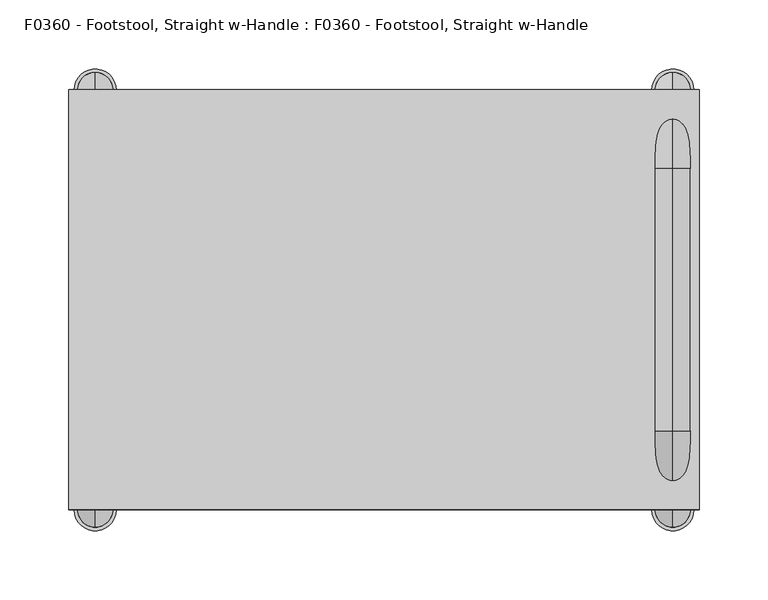
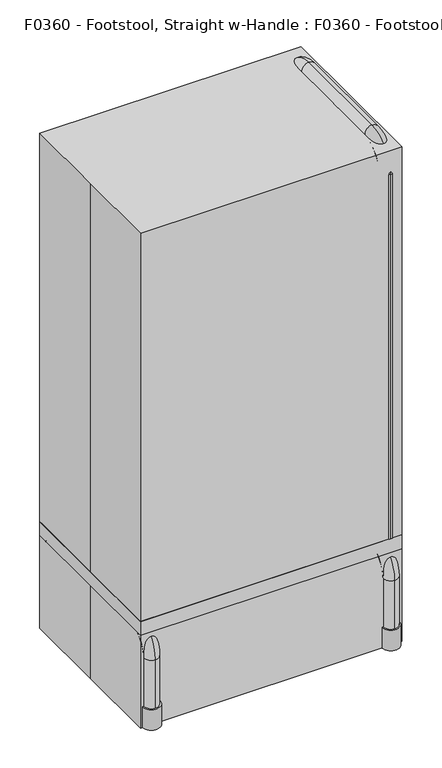
"""IFC4 building model written with IfcOpenShell, lengths in millimetres: proxy geometry, F0360 - Footstool, Straight w-Handle : F0360 - Footstool, Straight w-Handle."""

import ifcopenshell
import ifcopenshell.guid

model = None  # the IFC model being written
_history = None  # IfcOwnerHistory: only IFC2X3 demands one
_inside = {}  # id of a spatial element -> (the spatial element, [elements in it])
_under = {}  # id of a project, library or spatial element -> (it, [spatial elements below it])
_declared = {}  # id of a project -> (the project, [libraries it declares])
_typed = {}  # id of a type object -> (the type object, [elements of that type])
_made_of = {}  # id of a material, layer set ... -> (it, [elements and type objects made of it])


def new_model(schema):
    """Start an empty IFC model of exactly this schema.

    Asked for "IFC4X3", IfcOpenShell would pick the latest addendum, in which some entities
    have other attributes; the version numbers below select the first issue.
    IFC2X3 requires an IfcOwnerHistory on every rooted entity: one is made here for all.
    """
    global model, _history
    if schema == "IFC4X3":
        model = ifcopenshell.file(schema_version=(4, 3, 0, 0))
    else:
        model = ifcopenshell.file(schema=schema)
    _inside.clear()
    _under.clear()
    _declared.clear()
    _typed.clear()
    _made_of.clear()
    _history = None
    if model.schema == "IFC2X3":
        org = make("IfcOrganization", Name="unknown")
        user = make(
            "IfcPersonAndOrganization",
            ThePerson=make("IfcPerson", FamilyName="unknown"),
            TheOrganization=org,
        )
        app = make(
            "IfcApplication",
            ApplicationDeveloper=org,
            Version="unknown",
            ApplicationFullName="unknown",
            ApplicationIdentifier="unknown",
        )
        _history = make(
            "IfcOwnerHistory",
            OwningUser=user,
            OwningApplication=app,
            ChangeAction="ADDED",
            CreationDate=0,
        )
    return model


def make(cls, **values):
    """One entity of the class cls with the attributes given. An attribute that is None is left unset."""
    return model.create_entity(
        cls, **{name: value for name, value in values.items() if value is not None}
    )


def rooted(cls, **values):
    """An entity with a GlobalId (a new one), such as an element, a storey or a relation."""
    return make(cls, GlobalId=ifcopenshell.guid.new(), OwnerHistory=_history, **values)


def si_unit(unit_type, name, prefix=None):
    """IfcSIUnit, for example si_unit("LENGTHUNIT", "METRE", prefix="MILLI")."""
    return make("IfcSIUnit", UnitType=unit_type, Prefix=prefix, Name=name)


def assignment(units):
    """IfcUnitAssignment: the units of a project."""
    return None if units is None else make("IfcUnitAssignment", Units=units)


def point(xyz):
    """IfcCartesianPoint."""
    return None if xyz is None else make("IfcCartesianPoint", Coordinates=xyz)


def direction(xyz):
    """IfcDirection."""
    return None if xyz is None else make("IfcDirection", DirectionRatios=xyz)


def frame(location, z_axis=None, x_axis=None):
    """IfcAxis2Placement3D, a coordinate frame: its origin and axes. An axis left out is left unset."""
    return make(
        "IfcAxis2Placement3D",
        Location=point(location),
        Axis=direction(z_axis),
        RefDirection=direction(x_axis),
    )


def frame_2d(location, x_axis=None):
    """IfcAxis2Placement2D, a coordinate frame in the plane: its origin and x axis."""
    return make(
        "IfcAxis2Placement2D", Location=point(location), RefDirection=direction(x_axis)
    )


def origin():
    """The frame at (0, 0, 0) with its axes left unset."""
    return frame((0.0, 0.0, 0.0))


def origin_with_axes():
    """The frame at (0, 0, 0) with the z axis (0, 0, 1) and the x axis (1, 0, 0) written out."""
    return frame((0.0, 0.0, 0.0), z_axis=(0.0, 0.0, 1.0), x_axis=(1.0, 0.0, 0.0))


def place(relative_to, where):
    """IfcLocalPlacement: puts the frame where relative to a parent placement (None: the world)."""
    return make(
        "IfcLocalPlacement", PlacementRelTo=relative_to, RelativePlacement=where
    )


def context(
    kind, dimensions, precision=None, world=None, true_north=None, identifier=None
):
    """IfcGeometricRepresentationContext, for example the 3D "Model" context."""
    return make(
        "IfcGeometricRepresentationContext",
        ContextIdentifier=identifier,
        ContextType=kind,
        CoordinateSpaceDimension=dimensions,
        Precision=precision,
        WorldCoordinateSystem=world,
        TrueNorth=true_north,
    )


def project(units=None, contexts=None):
    """IfcProject with its units and contexts."""
    return rooted(
        "IfcProject",
        Name="project",
        RepresentationContexts=contexts,
        UnitsInContext=assignment(units),
    )


def spatial(cls, under=None, at=None, **own):
    """A site, building, storey or space (cls), placed at a placement, below another one or the project."""
    s = rooted(cls, ObjectPlacement=at, **own)
    if under is not None:
        _under.setdefault(under.id(), (under, []))[1].append(s)
    return s


def polyline(points):
    """IfcPolyline through the points."""
    return make("IfcPolyline", Points=[point(p) for p in points])


def circle_curve(where, radius):
    """IfcCircle in the frame where."""
    return make("IfcCircle", Position=where, Radius=radius)


def ellipse_curve(where, semi_axis1, semi_axis2):
    """IfcEllipse in the frame where."""
    return make(
        "IfcEllipse", Position=where, SemiAxis1=semi_axis1, SemiAxis2=semi_axis2
    )


def trimmed(basis, trim1, trim2, sense, master):
    """IfcTrimmedCurve: the piece of a basis curve between two trims."""
    return make(
        "IfcTrimmedCurve",
        BasisCurve=basis,
        Trim1=trim1,
        Trim2=trim2,
        SenseAgreement=sense,
        MasterRepresentation=master,
    )


def segment(curve, same_sense, transition):
    """IfcCompositeCurveSegment."""
    return make(
        "IfcCompositeCurveSegment",
        Transition=transition,
        SameSense=same_sense,
        ParentCurve=curve,
    )


def composite_curve(segments, self_intersect=None):
    """IfcCompositeCurve: segments joined end to end."""
    return make("IfcCompositeCurve", Segments=segments, SelfIntersect=self_intersect)


def outline(outer, holes=None, kind="AREA"):
    """IfcArbitraryClosedProfileDef: a profile drawn as a closed curve; with holes, ...WithVoids."""
    if holes is None:
        return make("IfcArbitraryClosedProfileDef", ProfileType=kind, OuterCurve=outer)
    return make(
        "IfcArbitraryProfileDefWithVoids",
        ProfileType=kind,
        OuterCurve=outer,
        InnerCurves=holes,
    )


def extrude(swept, where, along, depth):
    """IfcExtrudedAreaSolid: the profile swept, set in the frame where, extruded along a direction by depth."""
    return make(
        "IfcExtrudedAreaSolid",
        SweptArea=swept,
        Position=where,
        ExtrudedDirection=direction(along),
        Depth=depth,
    )


def shape(context_of_items, identifier, shape_type, items):
    """IfcShapeRepresentation: the items that make up one representation, for example the "Body"."""
    return make(
        "IfcShapeRepresentation",
        ContextOfItems=context_of_items,
        RepresentationIdentifier=identifier,
        RepresentationType=shape_type,
        Items=items,
    )


def source(mapping_origin, context_of_items, identifier, shape_type, items):
    """IfcRepresentationMap: a shape defined once, which mapped items show again and again."""
    return make(
        "IfcRepresentationMap",
        MappingOrigin=mapping_origin,
        MappedRepresentation=shape(context_of_items, identifier, shape_type, items),
    )


def transform(
    local_origin,
    x_axis=None,
    y_axis=None,
    z_axis=None,
    scale=None,
    scale2=None,
    scale3=None,
    uniform=True,
):
    """IfcCartesianTransformationOperator3D, or its non-uniform kind. x_axis, y_axis, z_axis: its Axis1, 2, 3."""
    if uniform:
        return make(
            "IfcCartesianTransformationOperator3D",
            Axis1=direction(x_axis),
            Axis2=direction(y_axis),
            LocalOrigin=point(local_origin),
            Scale=scale,
            Axis3=direction(z_axis),
        )
    return make(
        "IfcCartesianTransformationOperator3DnonUniform",
        Axis1=direction(x_axis),
        Axis2=direction(y_axis),
        LocalOrigin=point(local_origin),
        Scale=scale,
        Axis3=direction(z_axis),
        Scale2=scale2,
        Scale3=scale3,
    )


def mapped(mapping_source, mapping_target):
    """IfcMappedItem: shows the shape of a source again, moved by a transform."""
    return make(
        "IfcMappedItem", MappingSource=mapping_source, MappingTarget=mapping_target
    )


def made_of(thing, what):
    """Note that an element or type object is made of a material, layer set ...; save() writes the relation."""
    if what is not None:
        _made_of.setdefault(what.id(), (what, []))[1].append(thing)
    return thing


def element(
    cls,
    number,
    at=None,
    inside=None,
    cuts=None,
    type_object=None,
    material=None,
    context=None,
    identifier="Body",
    shape_type=None,
    held_by="IfcProductDefinitionShape",
    body=None,
    shapes=None,
    **own,
):
    """One element of the class cls, such as IfcWall. Its Tag is "e" and its number.

    at: its placement. inside: the storey or other place that contains it. cuts: it is an
    opening in that element (IfcRelVoidsElement). A single representation is given by context,
    identifier, shape_type and body (its items); several are given by shapes. held_by: the class
    of the entity that holds the representations. save() writes the other relations.
    """
    e = rooted(cls, Tag="e%d" % number, ObjectPlacement=at, **own)
    if body is not None:
        shapes = [shape(context, identifier, shape_type, body)]
    if shapes is not None:
        e.Representation = make(held_by, Representations=shapes)
    if inside is not None:
        _inside.setdefault(inside.id(), (inside, []))[1].append(e)
    if cuts is not None:
        rooted(
            "IfcRelVoidsElement", RelatingBuildingElement=cuts, RelatedOpeningElement=e
        )
    if type_object is not None:
        _typed.setdefault(type_object.id(), (type_object, []))[1].append(e)
    return made_of(e, material)


def aggregate(whole, parts):
    """IfcRelAggregates: a whole, such as a stair, and the parts it consists of."""
    return rooted("IfcRelAggregates", RelatingObject=whole, RelatedObjects=parts)


def save(model, path):
    """Write the relations noted so far, then the file.

    IfcRelAggregates (storeys below a building ...), IfcRelContainedInSpatialStructure (elements
    in a storey), IfcRelDefinesByType, IfcRelAssociatesMaterial and IfcRelDeclares: one each for
    every whole, place, type object, material and project.
    """
    for whole, parts in _under.values():
        aggregate(whole, parts)
    for where, things in _inside.values():
        rooted(
            "IfcRelContainedInSpatialStructure",
            RelatedElements=things,
            RelatingStructure=where,
        )
    for kind, things in _typed.values():
        rooted("IfcRelDefinesByType", RelatedObjects=things, RelatingType=kind)
    for what, things in _made_of.values():
        rooted("IfcRelAssociatesMaterial", RelatedObjects=things, RelatingMaterial=what)
    for by, libraries in _declared.values():
        rooted("IfcRelDeclares", RelatingContext=by, RelatedDefinitions=libraries)
    model.write(path)


def plane_surface(at):
    """IfcPlane: the flat surface through the origin of the frame at, square to its z axis."""
    return make("IfcPlane", Position=at)


def cylinder_surface(at, radius):
    """IfcCylindricalSurface: all points at the distance radius from the z axis of the frame at."""
    return make("IfcCylindricalSurface", Position=at, Radius=radius)


def revolved_surface(curve, axis_point, axis_direction):
    """IfcSurfaceOfRevolution: the curve turned about the line through axis_point along axis_direction."""
    return make(
        "IfcSurfaceOfRevolution",
        SweptCurve=make("IfcArbitraryOpenProfileDef", ProfileType="CURVE", Curve=curve),
        AxisPosition=make("IfcAxis1Placement", Location=point(axis_point), Axis=direction(axis_direction)),
    )


def advanced_brep(points, edges, surfaces, faces):
    """IfcAdvancedBrep: a solid bounded by faces that lie on surfaces and meet in shared edges.

    An edge is (start, end): straight between two places in points (the first is 0);
    or (start, end, curve); or (start, end, curve, False) where it runs against its curve.
    A face is (place in surfaces, loops), or (place, loops, False) where it looks against
    its surface's normal. A loop lists edges by number (the first is 1), with a minus sign
    where the edge is run from its end to its start. The first loop is the outer one.
    """
    corners = [point(p) for p in points]
    vertices = [make("IfcVertexPoint", VertexGeometry=c) for c in corners]
    made = []
    for start, end, *more in edges:
        made.append(
            make(
                "IfcEdgeCurve",
                EdgeStart=vertices[start],
                EdgeEnd=vertices[end],
                EdgeGeometry=more[0] if more else make("IfcPolyline", Points=[corners[start], corners[end]]),
                SameSense=more[1] if len(more) > 1 else True,
            )
        )
    hull = []
    for where, loops, *sense in faces:
        bounds = []
        for j, loop in enumerate(loops):
            ring = [make("IfcOrientedEdge", EdgeElement=made[abs(k) - 1], Orientation=k > 0) for k in loop]
            bounds.append(
                make(
                    "IfcFaceOuterBound" if j == 0 else "IfcFaceBound",
                    Bound=make("IfcEdgeLoop", EdgeList=ring),
                    Orientation=True,
                )
            )
        hull.append(make("IfcAdvancedFace", Bounds=bounds, FaceSurface=surfaces[where], SameSense=sense[0] if sense else True))
    return make("IfcAdvancedBrep", Outer=make("IfcClosedShell", CfsFaces=hull))


def f0360_footstool_straight_w_handle_f0360_footstool_straight_w_84347395(model_context):
    return source(origin(), model_context, "Body", "SolidModel", [
        advanced_brep(
        [(209.4223478, -127.1694395, 196.85), (209.4223478, -152.5694395, 196.85), (209.4223478, -127.1694395, 869.95), (209.4223478, -152.5694395, 869.95), (209.4223478, -95.4194395, 927.1), (209.4223478, -95.4194395, 901.7), (209.4223478, 95.0805605, 901.7), (209.4223478, 95.0805605, 927.1), (209.4223478, 126.8305605, 196.85), (209.4223478, 152.2305605, 196.85), (209.4223478, 152.2305605, 869.95), (209.4223478, 126.8305605, 869.95)],
        [
            (0, 1, circle_curve(frame((209.4223478, -139.8694395, 196.85), z_axis=(0.0, 0.0, -1.0), x_axis=(0.0, -1.0, 0.0)), 12.7)),
            (1, 0, circle_curve(frame((209.4223478, -139.8694395, 196.85), z_axis=(0.0, 0.0, -1.0), x_axis=(0.0, -1.0, 0.0)), 12.7)),
            (0, 2),
            (2, 3, circle_curve(frame((209.4223478, -139.8694395, 869.95), z_axis=(0.0, 0.0, -1.0), x_axis=(0.0, -1.0, 0.0)), 12.7)),
            (3, 1),
            (3, 2, circle_curve(frame((209.4223478, -139.8694395, 869.95), z_axis=(0.0, 0.0, -1.0), x_axis=(0.0, -1.0, 0.0)), 12.7)),
            (4, 5, circle_curve(frame((209.4223478, -95.4194395, 914.4), z_axis=(0.0, 1.0, 0.0), x_axis=(0.0, 0.0, 1.0)), 12.7)),
            (5, 6),
            (6, 7, circle_curve(frame((209.4223478, 95.0805605, 914.4), z_axis=(0.0, -1.0, 0.0), x_axis=(0.0, 0.0, 1.0)), 12.7)),
            (7, 4),
            (5, 4, circle_curve(frame((209.4223478, -95.4194395, 914.4), z_axis=(0.0, 1.0, 0.0), x_axis=(0.0, 0.0, 1.0)), 12.7)),
            (7, 6, circle_curve(frame((209.4223478, 95.0805605, 914.4), z_axis=(0.0, -1.0, 0.0), x_axis=(0.0, 0.0, 1.0)), 12.7)),
            (8, 9, circle_curve(frame((209.4223478, 139.5305605, 196.85), z_axis=(0.0, 0.0, -1.0), x_axis=(0.0, 1.0, 0.0)), 12.7)),
            (9, 8, circle_curve(frame((209.4223478, 139.5305605, 196.85), z_axis=(0.0, 0.0, -1.0), x_axis=(0.0, 1.0, 0.0)), 12.7)),
            (10, 11, circle_curve(frame((209.4223478, 139.5305605, 869.95), z_axis=(0.0, 0.0, -1.0), x_axis=(0.0, 1.0, 0.0)), 12.7)),
            (11, 8),
            (9, 10),
            (11, 10, circle_curve(frame((209.4223478, 139.5305605, 869.95), z_axis=(0.0, 0.0, -1.0), x_axis=(0.0, 1.0, 0.0)), 12.7)),
            (4, 3, circle_curve(frame((209.4223478, -95.4194395, 869.95), z_axis=(1.0, 0.0, 0.0), x_axis=(0.0, -1.0, 0.0)), 57.15)),
            (2, 5, circle_curve(frame((209.4223478, -95.4194395, 869.95), z_axis=(-1.0, 0.0, 0.0), x_axis=(0.0, -1.0, 0.0)), 31.75)),
            (10, 7, circle_curve(frame((209.4223478, 95.0805605, 869.95), z_axis=(1.0, 0.0, 0.0), x_axis=(0.0, 0.0, 1.0)), 57.15)),
            (6, 11, circle_curve(frame((209.4223478, 95.0805605, 869.95), z_axis=(-1.0, 0.0, 0.0), x_axis=(0.0, 0.0, 1.0)), 31.75)),
        ],
        [
            plane_surface(frame((209.4223478, -139.8694395, 196.85), z_axis=(0.0, 0.0, -1.0), x_axis=(1.0, 0.0, 0.0))),
            cylinder_surface(frame((209.4223478, -139.8694395, 196.85), z_axis=(0.0, 0.0, -1.0), x_axis=(0.0, -1.0, 0.0)), 12.7),
            cylinder_surface(frame((209.4223478, -95.4194395, 914.4), z_axis=(0.0, -1.0, 0.0), x_axis=(0.0, 0.0, 1.0)), 12.7),
            plane_surface(frame((209.4223478, 139.5305605, 196.85), z_axis=(0.0, 0.0, -1.0), x_axis=(1.0, 0.0, 0.0))),
            cylinder_surface(frame((209.4223478, 139.5305605, 869.95), z_axis=(0.0, 0.0, 1.0), x_axis=(0.0, 1.0, 0.0)), 12.7),
            revolved_surface(trimmed(ellipse_curve(frame((209.4223478, -139.8694395, 869.95), z_axis=(0.0, 0.0, -1.0), x_axis=(0.0, -1.0, 0.0)), 12.7, 12.7), [point((209.4223478, -127.1694395, 869.95))], [point((209.4223478, -152.5694395, 869.95))], True, "CARTESIAN"), (209.4223478, -95.4194395, 869.95), (-1.0, 0.0, 0.0)),
            revolved_surface(trimmed(ellipse_curve(frame((209.4223478, -139.8694395, 869.95), z_axis=(0.0, 0.0, -1.0), x_axis=(0.0, -1.0, 0.0)), 12.7, 12.7), [point((209.4223478, -152.5694395, 869.95))], [point((209.4223478, -127.1694395, 869.95))], True, "CARTESIAN"), (209.4223478, -95.4194395, 869.95), (-1.0, 0.0, 0.0)),
            revolved_surface(trimmed(ellipse_curve(frame((209.4223478, 95.0805605, 914.4), z_axis=(0.0, -1.0, 0.0), x_axis=(0.0, 0.0, 1.0)), 12.7, 12.7), [point((209.4223478, 95.0805605, 901.7))], [point((209.4223478, 95.0805605, 927.1))], True, "CARTESIAN"), (209.4223478, 95.0805605, 869.95), (-1.0, 0.0, 0.0)),
            revolved_surface(trimmed(ellipse_curve(frame((209.4223478, 95.0805605, 914.4), z_axis=(0.0, -1.0, 0.0), x_axis=(0.0, 0.0, 1.0)), 12.7, 12.7), [point((209.4223478, 95.0805605, 927.1))], [point((209.4223478, 95.0805605, 901.7))], True, "CARTESIAN"), (209.4223478, 95.0805605, 869.95), (-1.0, 0.0, 0.0)),
        ],
        [
            (0, [[1, 2]]),
            (1, [[-1, 3, 4, 5]]),
            (1, [[-2, -5, 6, -3]]),
            (2, [[7, 8, 9, 10]]),
            (2, [[11, -10, 12, -8]]),
            (3, [[13, 14]]),
            (4, [[15, 16, -14, 17]]),
            (4, [[18, -17, -13, -16]]),
            (5, [[19, -4, 20, -7]]),
            (6, [[-20, -6, -19, -11]]),
            (7, [[21, -9, 22, -15]]),
            (8, [[-22, -12, -21, -18]]),
        ],
    ),
        extrude(outline(composite_curve([segment(trimmed(circle_curve(frame_2d((209.55, 152.4)), 15.2941197), [point((224.8441197, 152.4))], [point((194.2558803, 152.4))], False, "CARTESIAN"), True, "CONTINUOUS"), segment(trimmed(circle_curve(frame_2d((209.55, 152.4)), 15.2941197), [point((194.2558803, 152.4))], [point((224.8441197, 152.4))], False, "CARTESIAN"), True, "CONTINUOUS")], self_intersect=False), holes=[composite_curve([segment(trimmed(circle_curve(frame_2d((209.55, 152.4)), 12.7), [point((222.25, 152.4))], [point((196.85, 152.4))], True, "CARTESIAN"), True, "CONTINUOUS"), segment(trimmed(circle_curve(frame_2d((209.55, 152.4)), 12.7), [point((196.85, 152.4))], [point((222.25, 152.4))], True, "CARTESIAN"), True, "CONTINUOUS")], self_intersect=False)]), origin_with_axes(), (0.0, 0.0, 1.0), 38.1),
        extrude(outline(composite_curve([segment(trimmed(circle_curve(frame_2d((-209.55, 152.4)), 15.2941197), [point((-224.8441197, 152.4))], [point((-194.2558803, 152.4))], False, "CARTESIAN"), True, "CONTINUOUS"), segment(trimmed(circle_curve(frame_2d((-209.55, 152.4)), 15.2941197), [point((-194.2558803, 152.4))], [point((-224.8441197, 152.4))], False, "CARTESIAN"), True, "CONTINUOUS")], self_intersect=False), holes=[composite_curve([segment(trimmed(circle_curve(frame_2d((-209.55, 152.4)), 12.7), [point((-222.25, 152.4))], [point((-196.85, 152.4))], True, "CARTESIAN"), True, "CONTINUOUS"), segment(trimmed(circle_curve(frame_2d((-209.55, 152.4)), 12.7), [point((-196.85, 152.4))], [point((-222.25, 152.4))], True, "CARTESIAN"), True, "CONTINUOUS")], self_intersect=False)]), origin_with_axes(), (0.0, 0.0, 1.0), 38.1),
        extrude(outline(composite_curve([segment(trimmed(circle_curve(frame_2d((209.55, -152.4)), 15.2941197), [point((224.8441197, -152.4))], [point((194.2558803, -152.4))], False, "CARTESIAN"), True, "CONTINUOUS"), segment(trimmed(circle_curve(frame_2d((209.55, -152.4)), 15.2941197), [point((194.2558803, -152.4))], [point((224.8441197, -152.4))], False, "CARTESIAN"), True, "CONTINUOUS")], self_intersect=False), holes=[composite_curve([segment(trimmed(circle_curve(frame_2d((209.55, -152.4)), 12.7), [point((222.25, -152.4))], [point((196.85, -152.4))], True, "CARTESIAN"), True, "CONTINUOUS"), segment(trimmed(circle_curve(frame_2d((209.55, -152.4)), 12.7), [point((196.85, -152.4))], [point((222.25, -152.4))], True, "CARTESIAN"), True, "CONTINUOUS")], self_intersect=False)]), origin_with_axes(), (0.0, 0.0, 1.0), 38.1),
        extrude(outline(composite_curve([segment(trimmed(circle_curve(frame_2d((-209.55, -152.4)), 15.2941197), [point((-224.8441197, -152.4))], [point((-194.2558803, -152.4))], False, "CARTESIAN"), True, "CONTINUOUS"), segment(trimmed(circle_curve(frame_2d((-209.55, -152.4)), 15.2941197), [point((-194.2558803, -152.4))], [point((-224.8441197, -152.4))], False, "CARTESIAN"), True, "CONTINUOUS")], self_intersect=False), holes=[composite_curve([segment(trimmed(circle_curve(frame_2d((-209.55, -152.4)), 12.7), [point((-222.25, -152.4))], [point((-196.85, -152.4))], True, "CARTESIAN"), True, "CONTINUOUS"), segment(trimmed(circle_curve(frame_2d((-209.55, -152.4)), 12.7), [point((-196.85, -152.4))], [point((-222.25, -152.4))], True, "CARTESIAN"), True, "CONTINUOUS")], self_intersect=False)]), origin_with_axes(), (0.0, 0.0, 1.0), 38.1),
        advanced_brep(
        [(209.55, -165.1, 0.0), (209.55, -139.7, 0.0), (209.55, -139.7, 127.0), (209.55, -165.1, 127.0), (209.55, -107.95, 184.15), (209.55, -107.95, 158.75), (209.55, 107.95, 158.75), (209.55, 107.95, 184.15), (209.55, 165.1, 127.0), (209.55, 139.7, 127.0), (209.55, 165.1, 0.0), (209.55, 139.7, 0.0)],
        [
            (0, 1, circle_curve(frame((209.55, -152.4, 0.0), z_axis=(0.0, 0.0, -1.0), x_axis=(0.0, 1.0, 0.0)), 12.7)),
            (1, 0, circle_curve(frame((209.55, -152.4, 0.0), z_axis=(0.0, 0.0, -1.0), x_axis=(0.0, 1.0, 0.0)), 12.7)),
            (1, 2),
            (2, 3, circle_curve(frame((209.55, -152.4, 127.0), z_axis=(0.0, 0.0, -1.0), x_axis=(0.0, 1.0, 0.0)), 12.7)),
            (3, 0),
            (3, 2, circle_curve(frame((209.55, -152.4, 127.0), z_axis=(0.0, 0.0, -1.0), x_axis=(0.0, 1.0, 0.0)), 12.7)),
            (4, 3, circle_curve(frame((209.55, -107.95, 127.0), z_axis=(1.0, 0.0, 0.0), x_axis=(0.0, -1.0, 0.0)), 57.15)),
            (2, 5, circle_curve(frame((209.55, -107.95, 127.0), z_axis=(-1.0, 0.0, 0.0), x_axis=(0.0, -1.0, 0.0)), 31.75)),
            (5, 4, circle_curve(frame((209.55, -107.95, 171.45), z_axis=(0.0, -1.0, 0.0), x_axis=(0.0, 0.0, -1.0)), 12.7)),
            (4, 5, circle_curve(frame((209.55, -107.95, 171.45), z_axis=(0.0, -1.0, 0.0), x_axis=(0.0, 0.0, -1.0)), 12.7)),
            (5, 6),
            (6, 7, circle_curve(frame((209.55, 107.95, 171.45), z_axis=(0.0, -1.0, 0.0), x_axis=(0.0, 0.0, -1.0)), 12.7)),
            (7, 4),
            (7, 6, circle_curve(frame((209.55, 107.95, 171.45), z_axis=(0.0, -1.0, 0.0), x_axis=(0.0, 0.0, -1.0)), 12.7)),
            (8, 7, circle_curve(frame((209.55, 107.95, 127.0), z_axis=(1.0, 0.0, 0.0), x_axis=(0.0, 0.0, 1.0)), 57.15)),
            (6, 9, circle_curve(frame((209.55, 107.95, 127.0), z_axis=(-1.0, 0.0, 0.0), x_axis=(0.0, 0.0, 1.0)), 31.75)),
            (9, 8, circle_curve(frame((209.55, 152.4, 127.0), z_axis=(0.0, 0.0, 1.0), x_axis=(0.0, -1.0, 0.0)), 12.7)),
            (8, 9, circle_curve(frame((209.55, 152.4, 127.0), z_axis=(0.0, 0.0, 1.0), x_axis=(0.0, -1.0, 0.0)), 12.7)),
            (10, 11, circle_curve(frame((209.55, 152.4, 0.0), z_axis=(0.0, 0.0, -1.0), x_axis=(0.0, -1.0, 0.0)), 12.7)),
            (11, 10, circle_curve(frame((209.55, 152.4, 0.0), z_axis=(0.0, 0.0, -1.0), x_axis=(0.0, -1.0, 0.0)), 12.7)),
            (9, 11),
            (10, 8),
        ],
        [
            plane_surface(frame((209.55, -152.4, 0.0), z_axis=(0.0, 0.0, -1.0), x_axis=(-1.0, 0.0, 0.0))),
            cylinder_surface(frame((209.55, -152.4, 0.0), z_axis=(0.0, 0.0, -1.0), x_axis=(0.0, 1.0, 0.0)), 12.7),
            revolved_surface(trimmed(ellipse_curve(frame((209.55, -152.4, 127.0), z_axis=(0.0, 0.0, -1.0), x_axis=(0.0, 1.0, 0.0)), 12.7, 12.7), [point((209.55, -139.7, 127.0))], [point((209.55, -165.1, 127.0))], True, "CARTESIAN"), (209.55, -107.95, 127.0), (-1.0, 0.0, 0.0)),
            revolved_surface(trimmed(ellipse_curve(frame((209.55, -152.4, 127.0), z_axis=(0.0, 0.0, -1.0), x_axis=(0.0, 1.0, 0.0)), 12.7, 12.7), [point((209.55, -165.1, 127.0))], [point((209.55, -139.7, 127.0))], True, "CARTESIAN"), (209.55, -107.95, 127.0), (-1.0, 0.0, 0.0)),
            cylinder_surface(frame((209.55, -107.95, 171.45), z_axis=(0.0, -1.0, 0.0), x_axis=(0.0, 0.0, -1.0)), 12.7),
            revolved_surface(trimmed(ellipse_curve(frame((209.55, 107.95, 171.45), z_axis=(0.0, -1.0, 0.0), x_axis=(0.0, 0.0, -1.0)), 12.7, 12.7), [point((209.55, 107.95, 158.75))], [point((209.55, 107.95, 184.15))], True, "CARTESIAN"), (209.55, 107.95, 127.0), (-1.0, 0.0, 0.0)),
            revolved_surface(trimmed(ellipse_curve(frame((209.55, 107.95, 171.45), z_axis=(0.0, -1.0, 0.0), x_axis=(0.0, 0.0, -1.0)), 12.7, 12.7), [point((209.55, 107.95, 184.15))], [point((209.55, 107.95, 158.75))], True, "CARTESIAN"), (209.55, 107.95, 127.0), (-1.0, 0.0, 0.0)),
            plane_surface(frame((209.55, 152.4, 0.0), z_axis=(0.0, 0.0, -1.0), x_axis=(-1.0, 0.0, 0.0))),
            cylinder_surface(frame((209.55, 152.4, 127.0), z_axis=(0.0, 0.0, 1.0), x_axis=(0.0, -1.0, 0.0)), 12.7),
        ],
        [
            (0, [[1, 2]]),
            (1, [[-2, 3, 4, 5]]),
            (1, [[-1, -5, 6, -3]]),
            (2, [[7, -4, 8, 9]]),
            (3, [[-8, -6, -7, 10]]),
            (4, [[-9, 11, 12, 13]]),
            (4, [[-10, -13, 14, -11]]),
            (5, [[15, -12, 16, 17]]),
            (6, [[-16, -14, -15, 18]]),
            (7, [[19, 20]]),
            (8, [[-17, 21, -19, 22]]),
            (8, [[-18, -22, -20, -21]]),
        ],
    ),
        advanced_brep(
        [(-209.55, -139.7, 0.0), (-209.55, -165.1, 0.0), (-209.55, -139.7, 127.0), (-209.55, -165.1, 127.0), (-209.55, -107.95, 184.15), (-209.55, -107.95, 158.75), (-209.55, 107.95, 158.75), (-209.55, 107.95, 184.15), (-209.55, 165.1, 127.0), (-209.55, 139.7, 127.0), (-209.55, 139.7, 0.0), (-209.55, 165.1, 0.0)],
        [
            (0, 1, circle_curve(frame((-209.55, -152.4, 0.0), z_axis=(0.0, 0.0, -1.0), x_axis=(0.0, -1.0, 0.0)), 12.7)),
            (1, 0, circle_curve(frame((-209.55, -152.4, 0.0), z_axis=(0.0, 0.0, -1.0), x_axis=(0.0, -1.0, 0.0)), 12.7)),
            (0, 2),
            (2, 3, circle_curve(frame((-209.55, -152.4, 127.0), z_axis=(0.0, 0.0, -1.0), x_axis=(0.0, -1.0, 0.0)), 12.7)),
            (3, 1),
            (3, 2, circle_curve(frame((-209.55, -152.4, 127.0), z_axis=(0.0, 0.0, -1.0), x_axis=(0.0, -1.0, 0.0)), 12.7)),
            (4, 3, circle_curve(frame((-209.55, -107.95, 127.0), z_axis=(1.0, 0.0, 0.0), x_axis=(0.0, -1.0, 0.0)), 57.15)),
            (2, 5, circle_curve(frame((-209.55, -107.95, 127.0), z_axis=(-1.0, 0.0, 0.0), x_axis=(0.0, -1.0, 0.0)), 31.75)),
            (5, 4, circle_curve(frame((-209.55, -107.95, 171.45), z_axis=(0.0, -1.0, 0.0), x_axis=(0.0, 0.0, 1.0)), 12.7)),
            (4, 5, circle_curve(frame((-209.55, -107.95, 171.45), z_axis=(0.0, -1.0, 0.0), x_axis=(0.0, 0.0, 1.0)), 12.7)),
            (5, 6),
            (6, 7, circle_curve(frame((-209.55, 107.95, 171.45), z_axis=(0.0, -1.0, 0.0), x_axis=(0.0, 0.0, 1.0)), 12.7)),
            (7, 4),
            (7, 6, circle_curve(frame((-209.55, 107.95, 171.45), z_axis=(0.0, -1.0, 0.0), x_axis=(0.0, 0.0, 1.0)), 12.7)),
            (8, 7, circle_curve(frame((-209.55, 107.95, 127.0), z_axis=(1.0, 0.0, 0.0), x_axis=(0.0, 0.0, 1.0)), 57.15)),
            (6, 9, circle_curve(frame((-209.55, 107.95, 127.0), z_axis=(-1.0, 0.0, 0.0), x_axis=(0.0, 0.0, 1.0)), 31.75)),
            (9, 8, circle_curve(frame((-209.55, 152.4, 127.0), z_axis=(0.0, 0.0, 1.0), x_axis=(0.0, 1.0, 0.0)), 12.7)),
            (8, 9, circle_curve(frame((-209.55, 152.4, 127.0), z_axis=(0.0, 0.0, 1.0), x_axis=(0.0, 1.0, 0.0)), 12.7)),
            (10, 11, circle_curve(frame((-209.55, 152.4, 0.0), z_axis=(0.0, 0.0, -1.0), x_axis=(0.0, 1.0, 0.0)), 12.7)),
            (11, 10, circle_curve(frame((-209.55, 152.4, 0.0), z_axis=(0.0, 0.0, -1.0), x_axis=(0.0, 1.0, 0.0)), 12.7)),
            (9, 10),
            (11, 8),
        ],
        [
            plane_surface(frame((-209.55, -152.4, 0.0), z_axis=(0.0, 0.0, -1.0), x_axis=(1.0, 0.0, 0.0))),
            cylinder_surface(frame((-209.55, -152.4, 0.0), z_axis=(0.0, 0.0, -1.0), x_axis=(0.0, -1.0, 0.0)), 12.7),
            revolved_surface(trimmed(ellipse_curve(frame((-209.55, -152.4, 127.0), z_axis=(0.0, 0.0, -1.0), x_axis=(0.0, -1.0, 0.0)), 12.7, 12.7), [point((-209.55, -139.7, 127.0))], [point((-209.55, -165.1, 127.0))], True, "CARTESIAN"), (-209.55, -107.95, 127.0), (-1.0, 0.0, 0.0)),
            revolved_surface(trimmed(ellipse_curve(frame((-209.55, -152.4, 127.0), z_axis=(0.0, 0.0, -1.0), x_axis=(0.0, -1.0, 0.0)), 12.7, 12.7), [point((-209.55, -165.1, 127.0))], [point((-209.55, -139.7, 127.0))], True, "CARTESIAN"), (-209.55, -107.95, 127.0), (-1.0, 0.0, 0.0)),
            cylinder_surface(frame((-209.55, -107.95, 171.45), z_axis=(0.0, -1.0, 0.0), x_axis=(0.0, 0.0, 1.0)), 12.7),
            revolved_surface(trimmed(ellipse_curve(frame((-209.55, 107.95, 171.45), z_axis=(0.0, -1.0, 0.0), x_axis=(0.0, 0.0, 1.0)), 12.7, 12.7), [point((-209.55, 107.95, 158.75))], [point((-209.55, 107.95, 184.15))], True, "CARTESIAN"), (-209.55, 107.95, 127.0), (-1.0, 0.0, 0.0)),
            revolved_surface(trimmed(ellipse_curve(frame((-209.55, 107.95, 171.45), z_axis=(0.0, -1.0, 0.0), x_axis=(0.0, 0.0, 1.0)), 12.7, 12.7), [point((-209.55, 107.95, 184.15))], [point((-209.55, 107.95, 158.75))], True, "CARTESIAN"), (-209.55, 107.95, 127.0), (-1.0, 0.0, 0.0)),
            plane_surface(frame((-209.55, 152.4, 0.0), z_axis=(0.0, 0.0, -1.0), x_axis=(1.0, 0.0, 0.0))),
            cylinder_surface(frame((-209.55, 152.4, 127.0), z_axis=(0.0, 0.0, 1.0), x_axis=(0.0, 1.0, 0.0)), 12.7),
        ],
        [
            (0, [[1, 2]]),
            (1, [[-1, 3, 4, 5]]),
            (1, [[-2, -5, 6, -3]]),
            (2, [[7, -4, 8, 9]]),
            (3, [[-8, -6, -7, 10]]),
            (4, [[-9, 11, 12, 13]]),
            (4, [[-10, -13, 14, -11]]),
            (5, [[15, -12, 16, 17]]),
            (6, [[-16, -14, -15, 18]]),
            (7, [[19, 20]]),
            (8, [[-17, 21, -20, 22]]),
            (8, [[-18, -22, -19, -21]]),
        ],
    ),
        extrude(outline(polyline([(228.6, 152.4), (228.6, -152.4), (-228.6, -152.4), (-228.6, 152.4), (228.6, 152.4)])), frame((0.0, 0.0, 171.45), z_axis=(0.0, 0.0, 1.0), x_axis=(1.0, 0.0, 0.0)), (0.0, 0.0, 1.0), 25.4),
        extrude(outline(polyline([(-228.6, 152.4), (228.6, 152.4), (228.6, -152.4), (-228.6, -152.4), (-228.6, 0.0), (-228.6, 152.4)])), origin_with_axes(), (0.0, 0.0, 1.0), 914.4),
    ])


if __name__ == "__main__":
    model = new_model("IFC4")
    model_context = context("Model", 3, world=origin())
    ifc_project = project(units=[si_unit("LENGTHUNIT", "METRE", prefix="MILLI")], contexts=[model_context])
    site = spatial("IfcSite", under=ifc_project)
    building = spatial("IfcBuilding", under=site)
    placement = place(None, origin())
    f0360_footstool_straight_w_handle_f0360_footstool_straight_w_shape = f0360_footstool_straight_w_handle_f0360_footstool_straight_w_84347395(model_context)
    element("IfcBuildingElementProxy", 1, Name="F0360 - Footstool, Straight w-Handle : F0360 - Footstool, Straight w-Handle", ObjectType="F0360 - Footstool, Straight w-Handle : F0360 - Footstool, Straight w-Handle", at=placement, inside=building, context=model_context, shape_type="MappedRepresentation", body=[
        mapped(f0360_footstool_straight_w_handle_f0360_footstool_straight_w_shape, transform((0.0, 0.0, 0.0), x_axis=(1.0, 0.0, 0.0), y_axis=(0.0, 1.0, 0.0), z_axis=(0.0, 0.0, 1.0))),
    ])
    save(model, "model.ifc")
